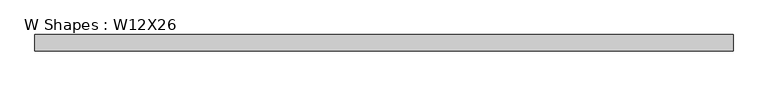
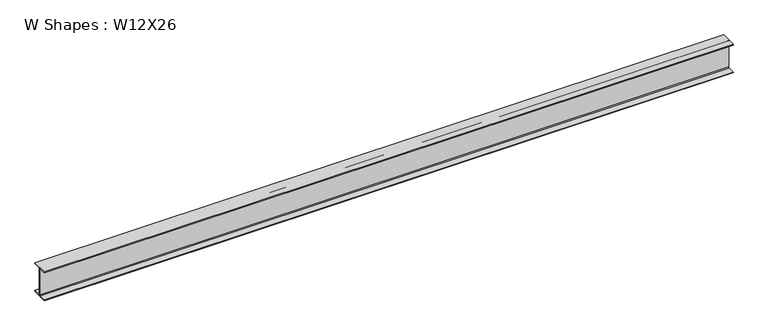
"""IFC4 building model written with IfcOpenShell, lengths in millimetres: beam geometry, W Shapes : W12X26."""

from ifc_helpers import new_model, si_unit, point, frame, frame_2d, origin, place, context, project, spatial, polyline, circle_curve, trimmed, segment, composite_curve, outline, extrude, source, transform, mapped, element, save


def w_shapes_w12x26_39ca322a(model_context):
    return source(origin(), model_context, "Body", "SweptSolid", [
        extrude(outline(composite_curve([segment(polyline([(82.423, -145.288), (82.423, -154.94), (-82.423, -154.94), (-82.423, -145.288), (-10.541, -145.288)]), True, "CONTINUOUS"), segment(trimmed(circle_curve(frame_2d((-10.541, -137.668)), 7.62), [point((-10.541, -145.288))], [point((-2.921, -137.668))], True, "CARTESIAN"), True, "CONTINUOUS"), segment(polyline([(-2.921, -137.668), (-2.921, 137.668)]), True, "CONTINUOUS"), segment(trimmed(circle_curve(frame_2d((-10.541, 137.668)), 7.62), [point((-2.921, 137.668))], [point((-10.541, 145.288))], True, "CARTESIAN"), True, "CONTINUOUS"), segment(polyline([(-10.541, 145.288), (-82.423, 145.288), (-82.423, 154.94), (82.423, 154.94), (82.423, 145.288), (10.541, 145.288)]), True, "CONTINUOUS"), segment(trimmed(circle_curve(frame_2d((10.541, 137.668)), 7.62), [point((10.541, 145.288))], [point((2.921, 137.668))], True, "CARTESIAN"), True, "CONTINUOUS"), segment(polyline([(2.921, 137.668), (2.921, -137.668)]), True, "CONTINUOUS"), segment(trimmed(circle_curve(frame_2d((10.541, -137.668)), 7.62), [point((2.921, -137.668))], [point((10.541, -145.288))], True, "CARTESIAN"), True, "CONTINUOUS"), segment(polyline([(10.541, -145.288), (82.423, -145.288)]), True, "CONTINUOUS")], self_intersect=False)), frame((-3505.2, 0.0, 0.0), z_axis=(1.0, 0.0, 0.0), x_axis=(0.0, 1.0, 0.0)), (0.0, 0.0, 1.0), 7010.4),
    ])


if __name__ == "__main__":
    model = new_model("IFC4")
    model_context = context("Model", 3, world=origin())
    ifc_project = project(units=[si_unit("LENGTHUNIT", "METRE", prefix="MILLI")], contexts=[model_context])
    site = spatial("IfcSite", under=ifc_project)
    building = spatial("IfcBuilding", under=site)
    placement = place(None, origin())
    w_shapes_w12x26_shape = w_shapes_w12x26_39ca322a(model_context)
    element("IfcBeam", 1, ObjectType="W Shapes : W12X26", at=placement, inside=building, context=model_context, shape_type="MappedRepresentation", body=[
        mapped(w_shapes_w12x26_shape, transform((0.0, 0.0, 0.0), x_axis=(1.0, 0.0, 0.0), y_axis=(0.0, 1.0, 0.0), z_axis=(0.0, 0.0, 1.0))),
    ])
    save(model, "model.ifc")
